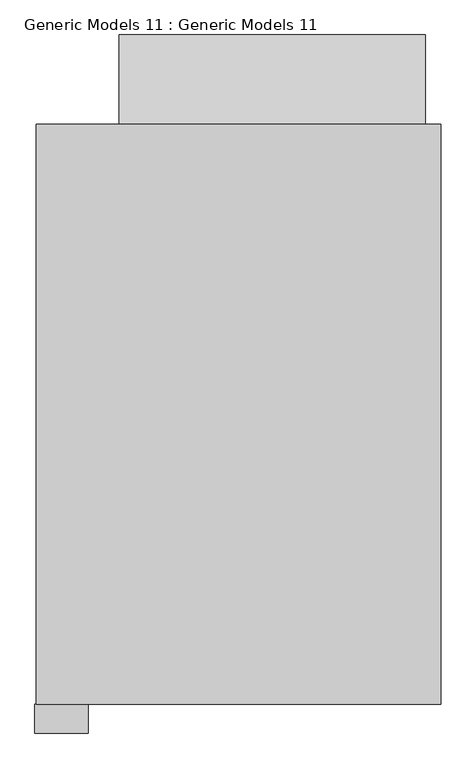
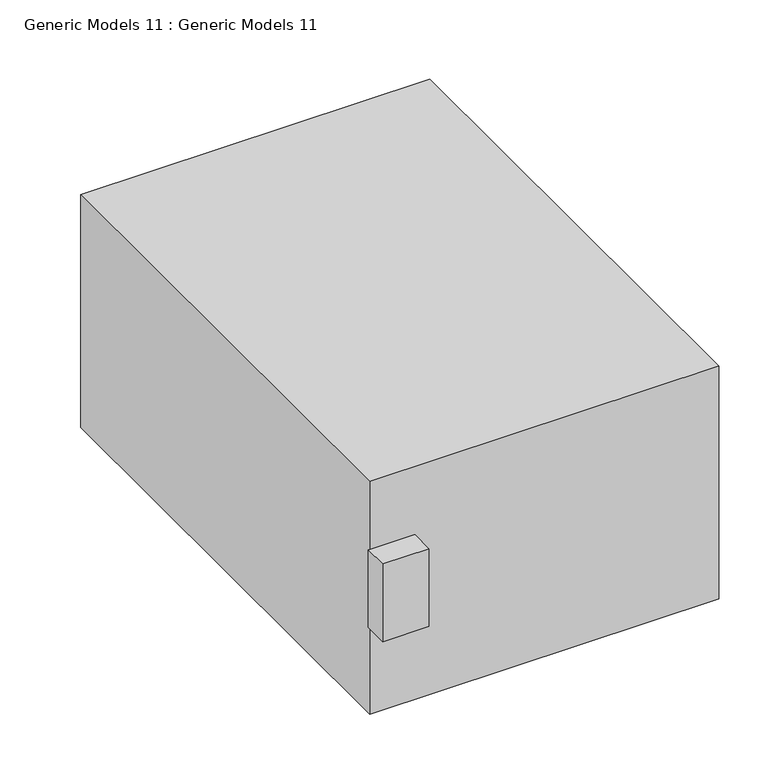
"""IFC4 building model written with IfcOpenShell, lengths in millimetres: proxy geometry, Generic Models 11 : Generic Models 11."""

from ifc_helpers import new_model, si_unit, frame, origin, place, context, project, spatial, polyline, outline, extrude, source, transform, mapped, element, save


def generic_models_11_generic_models_11_d9a4720f(model_context):
    return source(origin(), model_context, "Body", "SweptSolid", [
        extrude(outline(polyline([(-20097.5710737, 13489.8203766), (-20097.5710737, 13337.4203766), (-20382.7488856, 13337.4203766), (-20382.7488856, 13489.8203766), (-20097.5710737, 13489.8203766)])), frame((0.0, 0.0, -1513.0415533), z_axis=(0.0, 0.0, 1.0), x_axis=(1.0, 0.0, 0.0)), (0.0, 0.0, 1.0), 508.0),
        extrude(outline(polyline([(17061.4112932, -1746.4289979), (16584.4281854, -1874.2362364), (16584.4281854, -849.3542435), (17061.4112932, -1746.4289979)])), frame((-19934.0343775, 0.0, 0.0), z_axis=(1.0, 0.0, 0.0), x_axis=(0.0, 1.0, 0.0)), (0.0, 0.0, 1.0), 1636.4912265),
        extrude(outline(polyline([(-18215.7066831, 16584.4281854), (-18215.7066831, 13489.8203766), (-20375.4653444, 13489.8203766), (-20375.4653444, 16584.4281854), (-18215.7066831, 16584.4281854)])), frame((0.0, 0.0, -2082.8), z_axis=(0.0, 0.0, 1.0), x_axis=(1.0, 0.0, 0.0)), (0.0, 0.0, 1.0), 1522.1800368),
    ])


if __name__ == "__main__":
    model = new_model("IFC4")
    model_context = context("Model", 3, world=origin())
    ifc_project = project(units=[si_unit("LENGTHUNIT", "METRE", prefix="MILLI")], contexts=[model_context])
    site = spatial("IfcSite", under=ifc_project)
    building = spatial("IfcBuilding", under=site)
    placement = place(None, origin())
    generic_models_11_generic_models_11_shape = generic_models_11_generic_models_11_d9a4720f(model_context)
    element("IfcBuildingElementProxy", 1, Name="Generic Models 11 : Generic Models 11", ObjectType="Generic Models 11 : Generic Models 11", at=placement, inside=building, context=model_context, shape_type="MappedRepresentation", body=[
        mapped(generic_models_11_generic_models_11_shape, transform((0.0, 0.0, 0.0), x_axis=(1.0, 0.0, 0.0), y_axis=(0.0, 1.0, 0.0), z_axis=(0.0, 0.0, 1.0))),
    ])
    save(model, "model.ifc")
